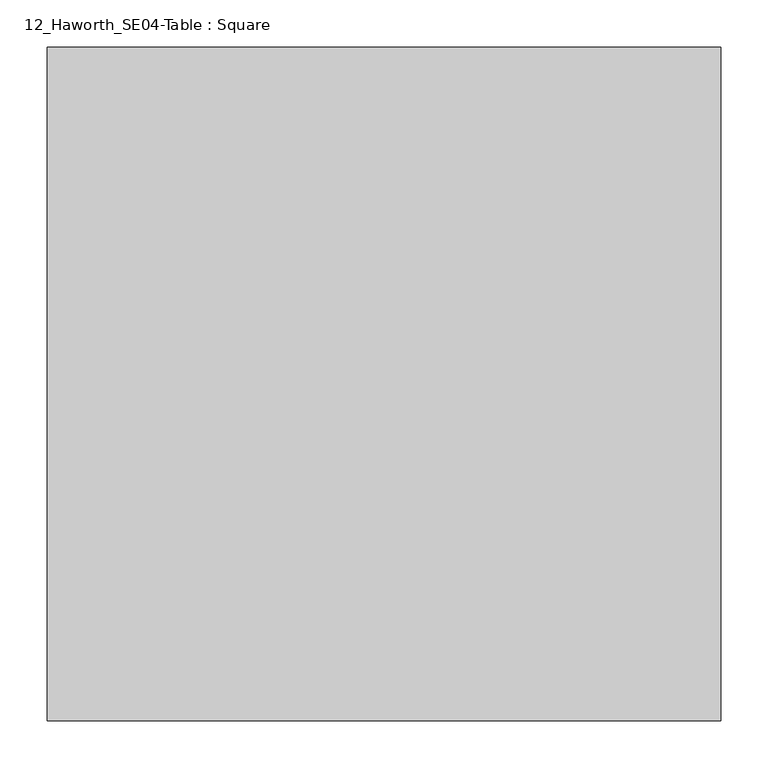
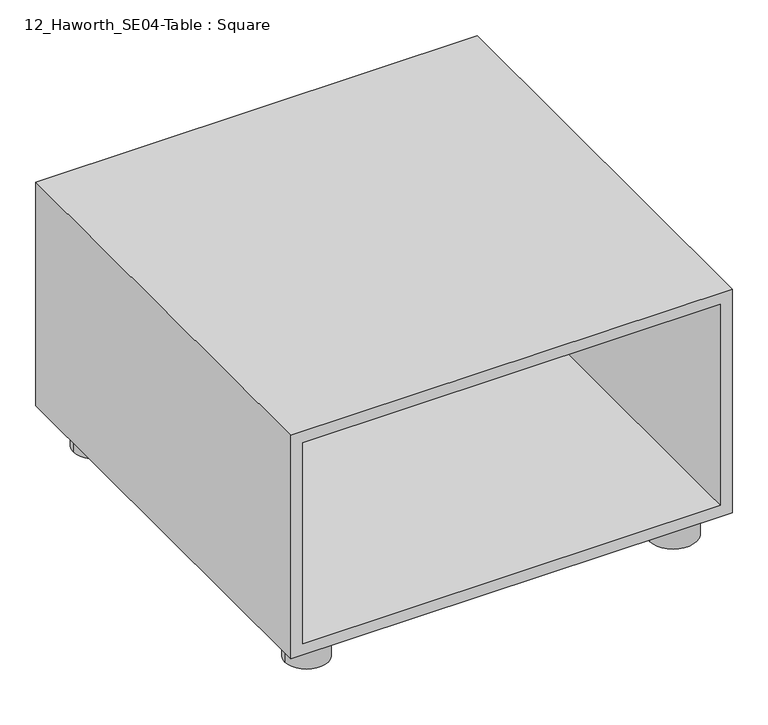
"""IFC4 building model written with IfcOpenShell, lengths in millimetres: furniture geometry, 12_Haworth_SE04-Table : Square."""

from ifc_helpers import new_model, si_unit, point, frame, frame_2d, origin, origin_with_axes, place, context, project, spatial, polyline, circle_curve, trimmed, segment, composite_curve, outline, extrude, source, transform, mapped, element, save


def furniture_12_haworth_se04_table_square_f9968629(model_context):
    return source(origin(), model_context, "Body", "SweptSolid", [
        extrude(outline(polyline([(431.8, -355.6), (50.8, -355.6), (50.8, 355.6), (431.8, 355.6), (431.8, -355.6)]), holes=[polyline([(412.75, 336.55), (69.85, 336.55), (69.85, -336.55), (412.75, -336.55), (412.75, 336.55)])]), frame((0.0, -355.6, 0.0), z_axis=(0.0, 1.0, 0.0), x_axis=(0.0, 0.0, 1.0)), (0.0, 0.0, 1.0), 711.2),
        extrude(outline(composite_curve([segment(trimmed(circle_curve(frame_2d((-295.275, -295.275)), 34.925), [point((-330.2, -295.275))], [point((-260.35, -295.275))], False, "CARTESIAN"), True, "CONTINUOUS"), segment(trimmed(circle_curve(frame_2d((-295.275, -295.275)), 34.925), [point((-260.35, -295.275))], [point((-330.2, -295.275))], False, "CARTESIAN"), True, "CONTINUOUS")], self_intersect=False)), origin_with_axes(), (0.0, 0.0, 1.0), 50.8),
        extrude(outline(composite_curve([segment(trimmed(circle_curve(frame_2d((295.275, -295.275)), 38.1), [point((257.175, -295.275))], [point((333.375, -295.275))], False, "CARTESIAN"), True, "CONTINUOUS"), segment(trimmed(circle_curve(frame_2d((295.275, -295.275)), 38.1), [point((333.375, -295.275))], [point((257.175, -295.275))], False, "CARTESIAN"), True, "CONTINUOUS")], self_intersect=False)), origin_with_axes(), (0.0, 0.0, 1.0), 50.8),
        extrude(outline(composite_curve([segment(trimmed(circle_curve(frame_2d((-295.275, 295.275)), 34.925), [point((-330.2, 295.275))], [point((-260.35, 295.275))], False, "CARTESIAN"), True, "CONTINUOUS"), segment(trimmed(circle_curve(frame_2d((-295.275, 295.275)), 34.925), [point((-260.35, 295.275))], [point((-330.2, 295.275))], False, "CARTESIAN"), True, "CONTINUOUS")], self_intersect=False)), origin_with_axes(), (0.0, 0.0, 1.0), 50.8),
        extrude(outline(composite_curve([segment(trimmed(circle_curve(frame_2d((295.275, 295.275)), 38.1), [point((257.175, 295.275))], [point((333.375, 295.275))], False, "CARTESIAN"), True, "CONTINUOUS"), segment(trimmed(circle_curve(frame_2d((295.275, 295.275)), 38.1), [point((333.375, 295.275))], [point((257.175, 295.275))], False, "CARTESIAN"), True, "CONTINUOUS")], self_intersect=False)), origin_with_axes(), (0.0, 0.0, 1.0), 50.8),
    ])


if __name__ == "__main__":
    model = new_model("IFC4")
    model_context = context("Model", 3, world=origin())
    ifc_project = project(units=[si_unit("LENGTHUNIT", "METRE", prefix="MILLI")], contexts=[model_context])
    site = spatial("IfcSite", under=ifc_project)
    building = spatial("IfcBuilding", under=site)
    placement = place(None, origin())
    furniture_12_haworth_se04_table_square_shape = furniture_12_haworth_se04_table_square_f9968629(model_context)
    element("IfcFurniture", 1, ObjectType="12_Haworth_SE04-Table : Square", at=placement, inside=building, context=model_context, shape_type="MappedRepresentation", body=[
        mapped(furniture_12_haworth_se04_table_square_shape, transform((0.0, 0.0, 0.0), x_axis=(1.0, 0.0, 0.0), y_axis=(0.0, 1.0, 0.0), z_axis=(0.0, 0.0, 1.0))),
    ])
    save(model, "model.ifc")
